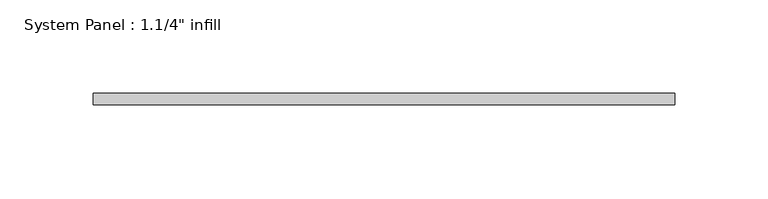
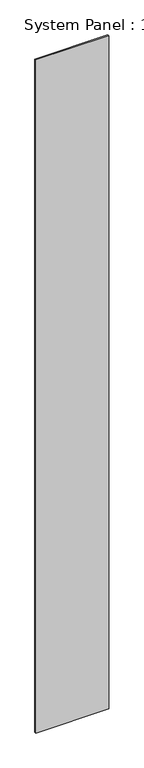
"""IFC4 building model written with IfcOpenShell, lengths in millimetres: plate geometry."""

import ifcopenshell
import ifcopenshell.guid

model = None  # the IFC model being written
_history = None  # IfcOwnerHistory: only IFC2X3 demands one
_inside = {}  # id of a spatial element -> (the spatial element, [elements in it])
_under = {}  # id of a project, library or spatial element -> (it, [spatial elements below it])
_declared = {}  # id of a project -> (the project, [libraries it declares])
_typed = {}  # id of a type object -> (the type object, [elements of that type])
_made_of = {}  # id of a material, layer set ... -> (it, [elements and type objects made of it])


def new_model(schema):
    """Start an empty IFC model of exactly this schema.

    Asked for "IFC4X3", IfcOpenShell would pick the latest addendum, in which some entities
    have other attributes; the version numbers below select the first issue.
    IFC2X3 requires an IfcOwnerHistory on every rooted entity: one is made here for all.
    """
    global model, _history
    if schema == "IFC4X3":
        model = ifcopenshell.file(schema_version=(4, 3, 0, 0))
    else:
        model = ifcopenshell.file(schema=schema)
    _inside.clear()
    _under.clear()
    _declared.clear()
    _typed.clear()
    _made_of.clear()
    _history = None
    if model.schema == "IFC2X3":
        org = make("IfcOrganization", Name="unknown")
        user = make(
            "IfcPersonAndOrganization",
            ThePerson=make("IfcPerson", FamilyName="unknown"),
            TheOrganization=org,
        )
        app = make(
            "IfcApplication",
            ApplicationDeveloper=org,
            Version="unknown",
            ApplicationFullName="unknown",
            ApplicationIdentifier="unknown",
        )
        _history = make(
            "IfcOwnerHistory",
            OwningUser=user,
            OwningApplication=app,
            ChangeAction="ADDED",
            CreationDate=0,
        )
    return model


def make(cls, **values):
    """One entity of the class cls with the attributes given. An attribute that is None is left unset."""
    return model.create_entity(
        cls, **{name: value for name, value in values.items() if value is not None}
    )


def rooted(cls, **values):
    """An entity with a GlobalId (a new one), such as an element, a storey or a relation."""
    return make(cls, GlobalId=ifcopenshell.guid.new(), OwnerHistory=_history, **values)


def si_unit(unit_type, name, prefix=None):
    """IfcSIUnit, for example si_unit("LENGTHUNIT", "METRE", prefix="MILLI")."""
    return make("IfcSIUnit", UnitType=unit_type, Prefix=prefix, Name=name)


def assignment(units):
    """IfcUnitAssignment: the units of a project."""
    return None if units is None else make("IfcUnitAssignment", Units=units)


def point(xyz):
    """IfcCartesianPoint."""
    return None if xyz is None else make("IfcCartesianPoint", Coordinates=xyz)


def direction(xyz):
    """IfcDirection."""
    return None if xyz is None else make("IfcDirection", DirectionRatios=xyz)


def frame(location, z_axis=None, x_axis=None):
    """IfcAxis2Placement3D, a coordinate frame: its origin and axes. An axis left out is left unset."""
    return make(
        "IfcAxis2Placement3D",
        Location=point(location),
        Axis=direction(z_axis),
        RefDirection=direction(x_axis),
    )


def origin():
    """The frame at (0, 0, 0) with its axes left unset."""
    return frame((0.0, 0.0, 0.0))


def origin_with_axes():
    """The frame at (0, 0, 0) with the z axis (0, 0, 1) and the x axis (1, 0, 0) written out."""
    return frame((0.0, 0.0, 0.0), z_axis=(0.0, 0.0, 1.0), x_axis=(1.0, 0.0, 0.0))


def place(relative_to, where):
    """IfcLocalPlacement: puts the frame where relative to a parent placement (None: the world)."""
    return make(
        "IfcLocalPlacement", PlacementRelTo=relative_to, RelativePlacement=where
    )


def context(
    kind, dimensions, precision=None, world=None, true_north=None, identifier=None
):
    """IfcGeometricRepresentationContext, for example the 3D "Model" context."""
    return make(
        "IfcGeometricRepresentationContext",
        ContextIdentifier=identifier,
        ContextType=kind,
        CoordinateSpaceDimension=dimensions,
        Precision=precision,
        WorldCoordinateSystem=world,
        TrueNorth=true_north,
    )


def project(units=None, contexts=None):
    """IfcProject with its units and contexts."""
    return rooted(
        "IfcProject",
        Name="project",
        RepresentationContexts=contexts,
        UnitsInContext=assignment(units),
    )


def spatial(cls, under=None, at=None, **own):
    """A site, building, storey or space (cls), placed at a placement, below another one or the project."""
    s = rooted(cls, ObjectPlacement=at, **own)
    if under is not None:
        _under.setdefault(under.id(), (under, []))[1].append(s)
    return s


def polyline(points):
    """IfcPolyline through the points."""
    return make("IfcPolyline", Points=[point(p) for p in points])


def outline(outer, holes=None, kind="AREA"):
    """IfcArbitraryClosedProfileDef: a profile drawn as a closed curve; with holes, ...WithVoids."""
    if holes is None:
        return make("IfcArbitraryClosedProfileDef", ProfileType=kind, OuterCurve=outer)
    return make(
        "IfcArbitraryProfileDefWithVoids",
        ProfileType=kind,
        OuterCurve=outer,
        InnerCurves=holes,
    )


def extrude(swept, where, along, depth):
    """IfcExtrudedAreaSolid: the profile swept, set in the frame where, extruded along a direction by depth."""
    return make(
        "IfcExtrudedAreaSolid",
        SweptArea=swept,
        Position=where,
        ExtrudedDirection=direction(along),
        Depth=depth,
    )


def shape(context_of_items, identifier, shape_type, items):
    """IfcShapeRepresentation: the items that make up one representation, for example the "Body"."""
    return make(
        "IfcShapeRepresentation",
        ContextOfItems=context_of_items,
        RepresentationIdentifier=identifier,
        RepresentationType=shape_type,
        Items=items,
    )


def source(mapping_origin, context_of_items, identifier, shape_type, items):
    """IfcRepresentationMap: a shape defined once, which mapped items show again and again."""
    return make(
        "IfcRepresentationMap",
        MappingOrigin=mapping_origin,
        MappedRepresentation=shape(context_of_items, identifier, shape_type, items),
    )


def transform(
    local_origin,
    x_axis=None,
    y_axis=None,
    z_axis=None,
    scale=None,
    scale2=None,
    scale3=None,
    uniform=True,
):
    """IfcCartesianTransformationOperator3D, or its non-uniform kind. x_axis, y_axis, z_axis: its Axis1, 2, 3."""
    if uniform:
        return make(
            "IfcCartesianTransformationOperator3D",
            Axis1=direction(x_axis),
            Axis2=direction(y_axis),
            LocalOrigin=point(local_origin),
            Scale=scale,
            Axis3=direction(z_axis),
        )
    return make(
        "IfcCartesianTransformationOperator3DnonUniform",
        Axis1=direction(x_axis),
        Axis2=direction(y_axis),
        LocalOrigin=point(local_origin),
        Scale=scale,
        Axis3=direction(z_axis),
        Scale2=scale2,
        Scale3=scale3,
    )


def mapped(mapping_source, mapping_target):
    """IfcMappedItem: shows the shape of a source again, moved by a transform."""
    return make(
        "IfcMappedItem", MappingSource=mapping_source, MappingTarget=mapping_target
    )


def made_of(thing, what):
    """Note that an element or type object is made of a material, layer set ...; save() writes the relation."""
    if what is not None:
        _made_of.setdefault(what.id(), (what, []))[1].append(thing)
    return thing


def element(
    cls,
    number,
    at=None,
    inside=None,
    cuts=None,
    type_object=None,
    material=None,
    context=None,
    identifier="Body",
    shape_type=None,
    held_by="IfcProductDefinitionShape",
    body=None,
    shapes=None,
    **own,
):
    """One element of the class cls, such as IfcWall. Its Tag is "e" and its number.

    at: its placement. inside: the storey or other place that contains it. cuts: it is an
    opening in that element (IfcRelVoidsElement). A single representation is given by context,
    identifier, shape_type and body (its items); several are given by shapes. held_by: the class
    of the entity that holds the representations. save() writes the other relations.
    """
    e = rooted(cls, Tag="e%d" % number, ObjectPlacement=at, **own)
    if body is not None:
        shapes = [shape(context, identifier, shape_type, body)]
    if shapes is not None:
        e.Representation = make(held_by, Representations=shapes)
    if inside is not None:
        _inside.setdefault(inside.id(), (inside, []))[1].append(e)
    if cuts is not None:
        rooted(
            "IfcRelVoidsElement", RelatingBuildingElement=cuts, RelatedOpeningElement=e
        )
    if type_object is not None:
        _typed.setdefault(type_object.id(), (type_object, []))[1].append(e)
    return made_of(e, material)


def aggregate(whole, parts):
    """IfcRelAggregates: a whole, such as a stair, and the parts it consists of."""
    return rooted("IfcRelAggregates", RelatingObject=whole, RelatedObjects=parts)


def save(model, path):
    """Write the relations noted so far, then the file.

    IfcRelAggregates (storeys below a building ...), IfcRelContainedInSpatialStructure (elements
    in a storey), IfcRelDefinesByType, IfcRelAssociatesMaterial and IfcRelDeclares: one each for
    every whole, place, type object, material and project.
    """
    for whole, parts in _under.values():
        aggregate(whole, parts)
    for where, things in _inside.values():
        rooted(
            "IfcRelContainedInSpatialStructure",
            RelatedElements=things,
            RelatingStructure=where,
        )
    for kind, things in _typed.values():
        rooted("IfcRelDefinesByType", RelatedObjects=things, RelatingType=kind)
    for what, things in _made_of.values():
        rooted("IfcRelAssociatesMaterial", RelatedObjects=things, RelatingMaterial=what)
    for by, libraries in _declared.values():
        rooted("IfcRelDeclares", RelatingContext=by, RelatedDefinitions=libraries)
    model.write(path)


def plate_d82f4f0c(model_context):
    return source(origin(), model_context, "Body", "SweptSolid", [
        extrude(outline(polyline([(156.3452507, -0.0992187), (-156.3452507, -0.0992187), (-156.3452507, 6.2507813), (156.3452507, 6.2507813), (156.3452507, -0.0992187)])), origin_with_axes(), (0.0, 0.0, 1.0), 3048.0),
    ])


if __name__ == "__main__":
    model = new_model("IFC4")
    model_context = context("Model", 3, world=origin())
    ifc_project = project(units=[si_unit("LENGTHUNIT", "METRE", prefix="MILLI")], contexts=[model_context])
    site = spatial("IfcSite", under=ifc_project)
    building = spatial("IfcBuilding", under=site)
    placement = place(None, origin())
    plate_shape = plate_d82f4f0c(model_context)
    element("IfcPlate", 1, ObjectType="System Panel : 1.1/4\" infill", at=placement, inside=building, context=model_context, shape_type="MappedRepresentation", body=[
        mapped(plate_shape, transform((0.0, 0.0, 0.0), x_axis=(1.0, 0.0, 0.0), y_axis=(0.0, 1.0, 0.0), z_axis=(0.0, 0.0, 1.0))),
    ])
    save(model, "model.ifc")
